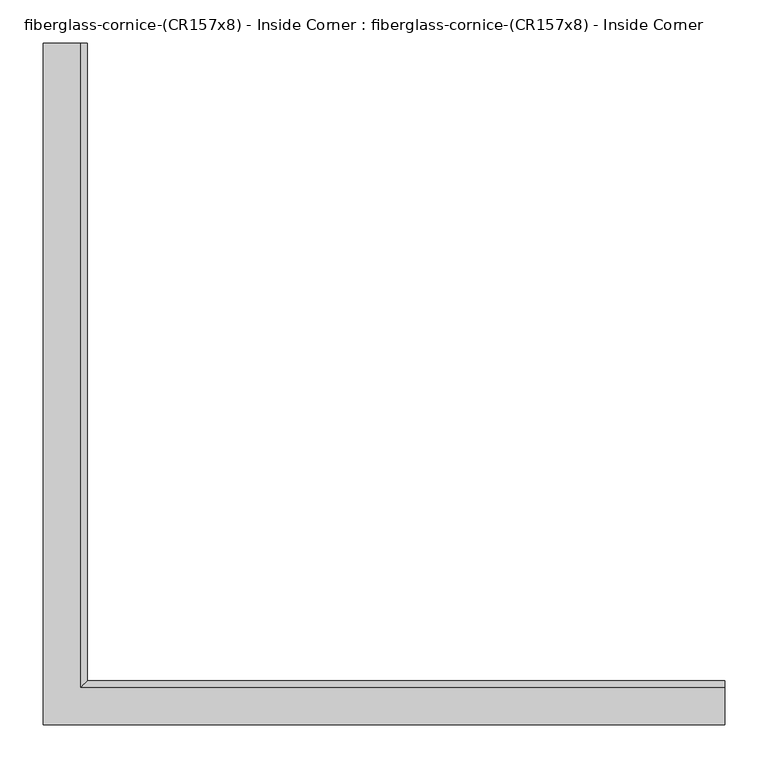
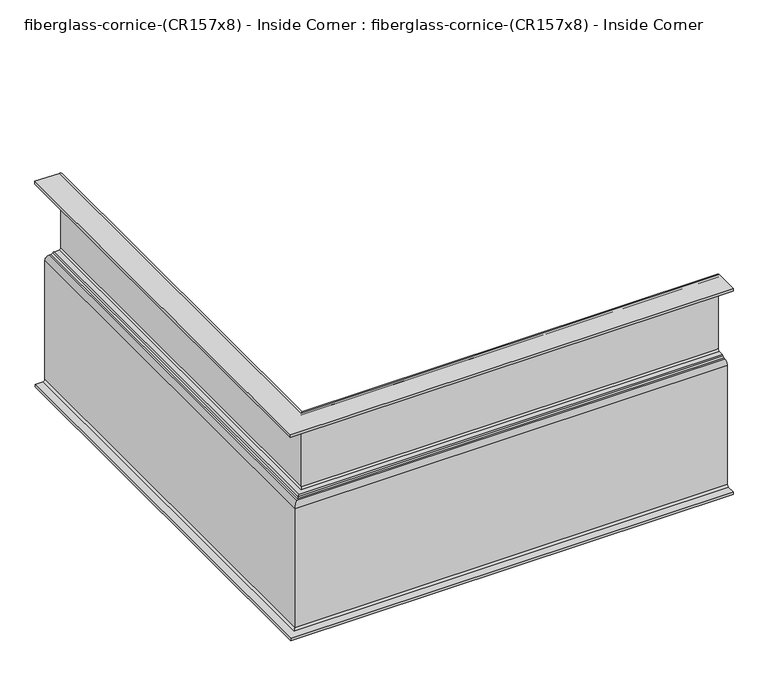
"""IFC4 building model written with IfcOpenShell, lengths in millimetres: furniture geometry, fiberglass-cornice-(CR157x8) - Inside Corner : fiberglass-cornice-(CR157x8) - Inside Corner."""

from ifc_helpers import new_model, si_unit, frame, origin, place, context, project, spatial, polyline, circle_curve, ellipse_curve, source, transform, mapped, element, save
from ifc_brep_helpers import plane_surface, cylinder_surface, revolved_surface, advanced_brep


def fiberglass_cornice_cr157x8_inside_corner_fiberglass_cornice_a711a074(model_context):
    return source(origin(), model_context, "Body", "AdvancedBrep", [
        advanced_brep(
        [(-393.6999938, 888.603125, 330.1999904), (-350.8374884, 888.603125, 330.1999904), (-342.899384, 888.603125, 322.261886), (-342.899384, 888.603125, 185.6778375), (-350.836884, 888.603125, 177.7403375), (-354.011884, 888.603125, 177.7403375), (-354.011884, 888.603125, 180.8652557), (-357.1874884, 888.603125, 180.8652557), (-357.1874884, 888.603125, 177.7402256), (-368.2999934, 888.603125, 177.7402256), (-371.4749934, 888.603125, 174.5652256), (-371.4749934, 888.603125, -49.2125121), (-379.4124934, 888.603125, -57.1500121), (-393.4457379, 888.603125, -57.1500121), (-393.4457379, 888.603125, -52.3875121), (-379.4124934, 888.603125, -52.3875121), (-376.2374934, 888.603125, -49.2125121), (-376.2374934, 888.603125, 174.5652256), (-368.2999934, 888.603125, 182.5027256), (-365.1249884, 888.603125, 182.5027256), (-362.3899349, 888.603125, 184.0652406), (-359.6548815, 888.603125, 185.6277557), (-350.8374884, 888.603125, 185.6277557), (-347.6624884, 888.603125, 188.8027557), (-347.6624884, 888.603125, 322.261886), (-350.8374884, 888.603125, 325.436886), (-393.6999938, 888.603125, 325.436886), (393.6999938, 101.203125, 330.1999904), (393.6999938, 101.203125, 325.436886), (393.6999938, 144.0656305, 325.436886), (393.6999938, 147.2406305, 322.261886), (393.6999938, 147.2406305, 188.8027557), (393.6999938, 144.0656305, 185.6277557), (393.6999938, 135.2482373, 185.6277557), (393.6999938, 132.5131839, 184.0652406), (393.6999938, 129.7781305, 182.5027256), (393.6999938, 126.6031254, 182.5027256), (393.6999938, 118.6656254, 174.5652256), (393.6999938, 118.6656254, -49.2125121), (393.6999938, 115.4906254, -52.3875121), (393.6999938, 101.457381, -52.3875121), (393.6999938, 101.457381, -57.1500121), (393.6999938, 115.4906254, -57.1500121), (393.6999938, 123.4281254, -49.2125121), (393.6999938, 123.4281254, 174.5652256), (393.6999938, 126.6031254, 177.7402256), (393.6999938, 137.7156305, 177.7402256), (393.6999938, 137.7156305, 180.8652557), (393.6999938, 140.8912349, 180.8652557), (393.6999938, 140.8912349, 177.7403375), (393.6999938, 144.0662349, 177.7403375), (393.6999938, 152.0037349, 185.6778375), (393.6999938, 152.0037349, 322.261886), (393.6999938, 144.0656305, 330.1999904), (-393.6999938, 101.203125, 330.1999904), (-350.8374884, 144.0656305, 330.1999904), (-342.899384, 152.0037349, 322.261886), (-342.899384, 152.0037349, 185.6778375), (-350.836884, 144.0662349, 177.7403375), (-354.011884, 140.8912349, 177.7403375), (-354.011884, 140.8912349, 180.8652557), (-357.1874884, 137.7156305, 180.8652557), (-357.1874884, 137.7156305, 177.7402256), (-368.2999934, 126.6031254, 177.7402256), (-371.4749934, 123.4281254, 174.5652256), (-371.4749934, 123.4281254, -49.2125121), (-379.4124934, 115.4906254, -57.1500121), (-393.4457379, 101.457381, -57.1500121), (-393.4457379, 101.457381, -52.3875121), (-379.4124934, 115.4906254, -52.3875121), (-376.2374934, 118.6656254, -49.2125121), (-376.2374934, 118.6656254, 174.5652256), (-368.2999934, 126.6031254, 182.5027256), (-365.1249884, 129.7781305, 182.5027256), (-362.3899349, 132.5131839, 184.0652406), (-359.6548815, 135.2482373, 185.6277557), (-350.8374884, 144.0656305, 185.6277557), (-347.6624884, 147.2406305, 188.8027557), (-347.6624884, 147.2406305, 322.261886), (-350.8374884, 144.0656305, 325.436886), (-393.6999938, 101.203125, 325.436886)],
        [
            (0, 1),
            (1, 2, circle_curve(frame((-350.8374884, 888.603125, 322.261886), z_axis=(0.0, 1.0, 0.0), x_axis=(1.0, 0.0, 0.0)), 7.9381044)),
            (2, 3),
            (3, 4, circle_curve(frame((-350.836884, 888.603125, 185.6778375), z_axis=(0.0, 1.0, 0.0), x_axis=(1.0, 0.0, 0.0)), 7.9375)),
            (4, 5),
            (5, 6),
            (6, 7),
            (7, 8),
            (8, 9),
            (9, 10, circle_curve(frame((-368.2999934, 888.603125, 174.5652256), z_axis=(0.0, -1.0, 0.0), x_axis=(1.0, 0.0, 0.0)), 3.175)),
            (10, 11),
            (11, 12, circle_curve(frame((-379.4124934, 888.603125, -49.2125121), z_axis=(0.0, 1.0, 0.0), x_axis=(1.0, 0.0, 0.0)), 7.9375)),
            (12, 13),
            (13, 14),
            (14, 15),
            (15, 16, circle_curve(frame((-379.4124934, 888.603125, -49.2125121), z_axis=(0.0, -1.0, 0.0), x_axis=(1.0, 0.0, 0.0)), 3.175)),
            (16, 17),
            (17, 18, circle_curve(frame((-368.2999934, 888.603125, 174.5652256), z_axis=(0.0, 1.0, 0.0), x_axis=(1.0, 0.0, 0.0)), 7.9375)),
            (18, 19),
            (19, 20, circle_curve(frame((-365.1249884, 888.603125, 185.6777256), z_axis=(0.0, -1.0, 0.0), x_axis=(1.0, 0.0, 0.0)), 3.175)),
            (20, 21, circle_curve(frame((-359.6548815, 888.603125, 182.4527557), z_axis=(0.0, 1.0, 0.0), x_axis=(1.0, 0.0, 0.0)), 3.175)),
            (21, 22),
            (22, 23, circle_curve(frame((-350.8374884, 888.603125, 188.8027557), z_axis=(0.0, -1.0, 0.0), x_axis=(1.0, 0.0, 0.0)), 3.175)),
            (23, 24),
            (24, 25, circle_curve(frame((-350.8374884, 888.603125, 322.261886), z_axis=(0.0, -1.0, 0.0), x_axis=(1.0, 0.0, 0.0)), 3.175)),
            (25, 26),
            (26, 0),
            (27, 28),
            (28, 29),
            (29, 30, circle_curve(frame((393.6999938, 144.0656305, 322.261886), z_axis=(-1.0, 0.0, 0.0), x_axis=(0.0, 1.0, 0.0)), 3.175)),
            (30, 31),
            (31, 32, circle_curve(frame((393.6999938, 144.0656305, 188.8027557), z_axis=(-1.0, 0.0, 0.0), x_axis=(0.0, 1.0, 0.0)), 3.175)),
            (32, 33),
            (33, 34, circle_curve(frame((393.6999938, 135.2482373, 182.4527557), z_axis=(1.0, 0.0, 0.0), x_axis=(0.0, 1.0, 0.0)), 3.175)),
            (34, 35, circle_curve(frame((393.6999938, 129.7781305, 185.6777256), z_axis=(-1.0, 0.0, 0.0), x_axis=(0.0, 1.0, 0.0)), 3.175)),
            (35, 36),
            (36, 37, circle_curve(frame((393.6999938, 126.6031254, 174.5652256), z_axis=(1.0, 0.0, 0.0), x_axis=(0.0, 1.0, 0.0)), 7.9375)),
            (37, 38),
            (38, 39, circle_curve(frame((393.6999938, 115.4906254, -49.2125121), z_axis=(-1.0, 0.0, 0.0), x_axis=(0.0, 1.0, 0.0)), 3.175)),
            (39, 40),
            (40, 41),
            (41, 42),
            (42, 43, circle_curve(frame((393.6999938, 115.4906254, -49.2125121), z_axis=(1.0, 0.0, 0.0), x_axis=(0.0, 1.0, 0.0)), 7.9375)),
            (43, 44),
            (44, 45, circle_curve(frame((393.6999938, 126.6031254, 174.5652256), z_axis=(-1.0, 0.0, 0.0), x_axis=(0.0, 1.0, 0.0)), 3.175)),
            (45, 46),
            (46, 47),
            (47, 48),
            (48, 49),
            (49, 50),
            (50, 51, circle_curve(frame((393.6999938, 144.0662349, 185.6778375), z_axis=(1.0, 0.0, 0.0), x_axis=(0.0, 1.0, 0.0)), 7.9375)),
            (51, 52),
            (52, 53, circle_curve(frame((393.6999938, 144.0656305, 322.261886), z_axis=(1.0, 0.0, 0.0), x_axis=(0.0, 1.0, 0.0)), 7.9381044)),
            (53, 27),
            (0, 54),
            (54, 27),
            (53, 55),
            (55, 1),
            (55, 56, ellipse_curve(frame((-350.8374884, 144.0656305, 322.261886), z_axis=(-0.7071067811865475, 0.7071067811865475, 0.0), x_axis=(0.7071067811865474, 0.7071067811865476, 0.0)), 11.2261749, 7.9381044)),
            (56, 2),
            (56, 57),
            (57, 3),
            (57, 58, ellipse_curve(frame((-350.836884, 144.0662349, 185.6778375), z_axis=(-0.7071067811865475, 0.7071067811865475, 0.0), x_axis=(0.7071067811865474, 0.7071067811865476, 0.0)), 11.2253202, 7.9375)),
            (58, 4),
            (58, 50),
            (49, 59),
            (59, 5),
            (59, 60),
            (60, 6),
            (60, 48),
            (47, 61),
            (61, 7),
            (61, 62),
            (62, 8),
            (62, 46),
            (45, 63),
            (63, 9),
            (63, 64, ellipse_curve(frame((-368.2999934, 126.6031254, 174.5652256), z_axis=(0.7071067811865475, -0.7071067811865475, 0.0), x_axis=(-0.7071067811865474, -0.7071067811865476, 0.0)), 4.4901281, 3.175)),
            (64, 10),
            (64, 65),
            (65, 11),
            (65, 66, ellipse_curve(frame((-379.4124934, 115.4906254, -49.2125121), z_axis=(-0.7071067811865475, 0.7071067811865475, 0.0), x_axis=(0.7071067811865474, 0.7071067811865476, 0.0)), 11.2253202, 7.9375)),
            (66, 12),
            (66, 42),
            (41, 67),
            (67, 13),
            (67, 68),
            (68, 14),
            (68, 40),
            (39, 69),
            (69, 15),
            (69, 70, ellipse_curve(frame((-379.4124934, 115.4906254, -49.2125121), z_axis=(0.7071067811865475, -0.7071067811865475, 0.0), x_axis=(-0.7071067811865474, -0.7071067811865476, 0.0)), 4.4901281, 3.175)),
            (70, 16),
            (70, 71),
            (71, 17),
            (71, 72, ellipse_curve(frame((-368.2999934, 126.6031254, 174.5652256), z_axis=(-0.7071067811865475, 0.7071067811865475, 0.0), x_axis=(0.7071067811865474, 0.7071067811865476, 0.0)), 11.2253202, 7.9375)),
            (72, 18),
            (72, 36),
            (35, 73),
            (73, 19),
            (73, 74, ellipse_curve(frame((-365.1249884, 129.7781305, 185.6777256), z_axis=(0.7071067811865475, -0.7071067811865475, 0.0), x_axis=(-0.7071067811865474, -0.7071067811865476, 0.0)), 4.4901281, 3.175)),
            (74, 20),
            (74, 75, ellipse_curve(frame((-359.6548815, 135.2482373, 182.4527557), z_axis=(-0.7071067811865475, 0.7071067811865475, 0.0), x_axis=(0.7071067811865474, 0.7071067811865476, 0.0)), 4.4901281, 3.175)),
            (75, 21),
            (75, 33),
            (32, 76),
            (76, 22),
            (76, 77, ellipse_curve(frame((-350.8374884, 144.0656305, 188.8027557), z_axis=(0.7071067811865475, -0.7071067811865475, 0.0), x_axis=(-0.7071067811865474, -0.7071067811865476, 0.0)), 4.4901281, 3.175)),
            (77, 23),
            (77, 78),
            (78, 24),
            (78, 79, ellipse_curve(frame((-350.8374884, 144.0656305, 322.261886), z_axis=(0.7071067811865475, -0.7071067811865475, 0.0), x_axis=(-0.7071067811865474, -0.7071067811865476, 0.0)), 4.4901281, 3.175)),
            (79, 25),
            (79, 29),
            (28, 80),
            (80, 26),
            (80, 54),
            (52, 56),
            (51, 57),
            (44, 64),
            (43, 65),
            (38, 70),
            (37, 71),
            (34, 74),
            (31, 77),
            (30, 78),
        ],
        [
            plane_surface(frame((-393.6999938, 888.603125, 330.1999904), z_axis=(0.0, 1.0, 0.0), x_axis=(0.0, 0.0, 1.0))),
            plane_surface(frame((393.6999938, 101.203125, 330.1999904), z_axis=(1.0, 0.0, 0.0), x_axis=(0.0, 0.0, 1.0))),
            plane_surface(frame((-393.6999938, 888.603125, 330.1999904), z_axis=(0.0, 0.0, 1.0), x_axis=(0.0, -1.0, 0.0))),
            cylinder_surface(frame((-350.8374884, 888.603125, 322.261886), z_axis=(0.0, 1.0, 0.0), x_axis=(1.0, 0.0, 0.0)), 7.9381044),
            plane_surface(frame((-342.899384, 888.603125, 322.261886), z_axis=(1.0, 0.0, 0.0), x_axis=(0.0, -1.0, 0.0))),
            cylinder_surface(frame((-350.836884, 888.603125, 185.6778375), z_axis=(0.0, 1.0, 0.0), x_axis=(1.0, 0.0, 0.0)), 7.9375),
            plane_surface(frame((-350.836884, 888.603125, 177.7403375), z_axis=(0.0, 0.0, -1.0), x_axis=(0.0, -1.0, 0.0))),
            plane_surface(frame((-354.011884, 888.603125, 177.7403375), z_axis=(-1.0, 0.0, 0.0), x_axis=(0.0, -1.0, 0.0))),
            plane_surface(frame((-354.011884, 888.603125, 180.8652557), z_axis=(0.0, 0.0, -1.0), x_axis=(0.0, -1.0, 0.0))),
            plane_surface(frame((-357.1874884, 888.603125, 180.8652557), z_axis=(1.0, 0.0, 0.0), x_axis=(0.0, -1.0, 0.0))),
            plane_surface(frame((-357.1874884, 888.603125, 177.7402256), z_axis=(0.0, 0.0, -1.0), x_axis=(0.0, -1.0, 0.0))),
            revolved_surface(polyline([(-365.1249934, 123.42812537209363, 174.5652256), (-365.1249934, 888.603125, 174.5652256)]), (-368.2999934, 888.603125, 174.5652256), (0.0, -1.0, 0.0)),
            plane_surface(frame((-371.4749934, 888.603125, 174.5652256), z_axis=(1.0, 0.0, 0.0), x_axis=(0.0, -1.0, 0.0))),
            cylinder_surface(frame((-379.4124934, 888.603125, -49.2125121), z_axis=(0.0, 1.0, 0.0), x_axis=(1.0, 0.0, 0.0)), 7.9375),
            plane_surface(frame((-379.4124934, 888.603125, -57.1500121), z_axis=(0.0, 0.0, -1.0), x_axis=(0.0, -1.0, 0.0))),
            plane_surface(frame((-393.4457379, 888.603125, -57.1500121), z_axis=(-1.0, 0.0, 0.0), x_axis=(0.0, -1.0, 0.0))),
            plane_surface(frame((-393.4457379, 888.603125, -52.3875121), z_axis=(0.0, 0.0, 1.0), x_axis=(0.0, -1.0, 0.0))),
            revolved_surface(polyline([(-376.2374934, 112.31562537209368, -49.2125121), (-376.2374934, 888.603125, -49.2125121)]), (-379.4124934, 888.603125, -49.2125121), (0.0, -1.0, 0.0)),
            plane_surface(frame((-376.2374934, 888.603125, -49.2125121), z_axis=(-1.0, 0.0, 0.0), x_axis=(0.0, -1.0, 0.0))),
            cylinder_surface(frame((-368.2999934, 888.603125, 174.5652256), z_axis=(0.0, 1.0, 0.0), x_axis=(1.0, 0.0, 0.0)), 7.9375),
            plane_surface(frame((-368.2999934, 888.603125, 182.5027256), z_axis=(0.0, 0.0, 1.0), x_axis=(0.0, -1.0, 0.0))),
            revolved_surface(polyline([(-361.9499884, 126.60313047209365, 185.6777256), (-361.9499884, 888.603125, 185.6777256)]), (-365.1249884, 888.603125, 185.6777256), (0.0, -1.0, 0.0)),
            cylinder_surface(frame((-359.6548815, 888.603125, 182.4527557), z_axis=(0.0, 1.0, 0.0), x_axis=(1.0, 0.0, 0.0)), 3.175),
            plane_surface(frame((-359.6548815, 888.603125, 185.6277557), z_axis=(0.0, 0.0, 1.0), x_axis=(0.0, -1.0, 0.0))),
            revolved_surface(polyline([(-347.6624884, 140.89063047209368, 188.8027557), (-347.6624884, 888.603125, 188.8027557)]), (-350.8374884, 888.603125, 188.8027557), (0.0, -1.0, 0.0)),
            plane_surface(frame((-347.6624884, 888.603125, 188.8027557), z_axis=(-1.0, 0.0, 0.0), x_axis=(0.0, -1.0, 0.0))),
            revolved_surface(polyline([(-347.6624884, 140.89063047209368, 322.261886), (-347.6624884, 888.603125, 322.261886)]), (-350.8374884, 888.603125, 322.261886), (0.0, -1.0, 0.0)),
            plane_surface(frame((-350.8374884, 888.603125, 325.436886), z_axis=(0.0, 0.0, -1.0), x_axis=(0.0, -1.0, 0.0))),
            plane_surface(frame((-393.6999938, 888.603125, 325.436886), z_axis=(-1.0, 0.0, 0.0), x_axis=(0.0, -1.0, 0.0))),
            cylinder_surface(frame((-393.6999938, 144.0656305, 322.261886), z_axis=(-1.0, 0.0, 0.0), x_axis=(0.0, 1.0, 0.0)), 7.9381044),
            plane_surface(frame((-342.899384, 152.0037349, 322.261886), z_axis=(0.0, 1.0, 0.0), x_axis=(1.0, 0.0, 0.0))),
            cylinder_surface(frame((-393.6999938, 144.0662349, 185.6778375), z_axis=(-1.0, 0.0, 0.0), x_axis=(0.0, 1.0, 0.0)), 7.9375),
            plane_surface(frame((-354.011884, 140.8912349, 177.7403375), z_axis=(0.0, -1.0, 0.0), x_axis=(1.0, 0.0, 0.0))),
            plane_surface(frame((-357.1874884, 137.7156305, 180.8652557), z_axis=(0.0, 1.0, 0.0), x_axis=(1.0, 0.0, 0.0))),
            revolved_surface(polyline([(393.6999938, 129.7781254, 174.5652256), (-371.47499342790627, 129.7781254, 174.5652256)]), (-393.6999938, 126.6031254, 174.5652256), (1.0, 0.0, 0.0)),
            plane_surface(frame((-371.4749934, 123.4281254, 174.5652256), z_axis=(0.0, 1.0, 0.0), x_axis=(1.0, 0.0, 0.0))),
            cylinder_surface(frame((-393.6999938, 115.4906254, -49.2125121), z_axis=(-1.0, 0.0, 0.0), x_axis=(0.0, 1.0, 0.0)), 7.9375),
            plane_surface(frame((-393.4457379, 101.457381, -57.1500121), z_axis=(0.0, -1.0, 0.0), x_axis=(1.0, 0.0, 0.0))),
            revolved_surface(polyline([(393.6999938, 118.6656254, -49.2125121), (-382.5874934279063, 118.6656254, -49.2125121)]), (-393.6999938, 115.4906254, -49.2125121), (1.0, 0.0, 0.0)),
            plane_surface(frame((-376.2374934, 118.6656254, -49.2125121), z_axis=(0.0, -1.0, 0.0), x_axis=(1.0, 0.0, 0.0))),
            cylinder_surface(frame((-393.6999938, 126.6031254, 174.5652256), z_axis=(-1.0, 0.0, 0.0), x_axis=(0.0, 1.0, 0.0)), 7.9375),
            revolved_surface(polyline([(393.6999938, 132.95313050000001, 185.6777256), (-368.29998842790627, 132.95313050000001, 185.6777256)]), (-393.6999938, 129.7781305, 185.6777256), (1.0, 0.0, 0.0)),
            cylinder_surface(frame((-393.6999938, 135.2482373, 182.4527557), z_axis=(-1.0, 0.0, 0.0), x_axis=(0.0, 1.0, 0.0)), 3.175),
            revolved_surface(polyline([(393.6999938, 147.2406305, 188.8027557), (-354.01248842790625, 147.2406305, 188.8027557)]), (-393.6999938, 144.0656305, 188.8027557), (1.0, 0.0, 0.0)),
            plane_surface(frame((-347.6624884, 147.2406305, 188.8027557), z_axis=(0.0, -1.0, 0.0), x_axis=(1.0, 0.0, 0.0))),
            revolved_surface(polyline([(393.6999938, 147.2406305, 322.261886), (-354.01248842790625, 147.2406305, 322.261886)]), (-393.6999938, 144.0656305, 322.261886), (1.0, 0.0, 0.0)),
            plane_surface(frame((-393.6999938, 101.203125, 325.436886), z_axis=(0.0, -1.0, 0.0), x_axis=(1.0, 0.0, 0.0))),
        ],
        [
            (0, [[1, 2, 3, 4, 5, 6, 7, 8, 9, 10, 11, 12, 13, 14, 15, 16, 17, 18, 19, 20, 21, 22, 23, 24, 25, 26, 27]]),
            (1, [[28, 29, 30, 31, 32, 33, 34, 35, 36, 37, 38, 39, 40, 41, 42, 43, 44, 45, 46, 47, 48, 49, 50, 51, 52, 53, 54]]),
            (2, [[-1, 55, 56, -54, 57, 58]]),
            (3, [[-2, -58, 59, 60]]),
            (4, [[-3, -60, 61, 62]]),
            (5, [[-4, -62, 63, 64]]),
            (6, [[-5, -64, 65, -50, 66, 67]]),
            (7, [[-6, -67, 68, 69]]),
            (8, [[-7, -69, 70, -48, 71, 72]]),
            (9, [[-8, -72, 73, 74]]),
            (10, [[-9, -74, 75, -46, 76, 77]]),
            (11, [[-10, -77, 78, 79]]),
            (12, [[-11, -79, 80, 81]]),
            (13, [[-12, -81, 82, 83]]),
            (14, [[-13, -83, 84, -42, 85, 86]]),
            (15, [[-14, -86, 87, 88]]),
            (16, [[-15, -88, 89, -40, 90, 91]]),
            (17, [[-16, -91, 92, 93]]),
            (18, [[-17, -93, 94, 95]]),
            (19, [[-18, -95, 96, 97]]),
            (20, [[-19, -97, 98, -36, 99, 100]]),
            (21, [[-20, -100, 101, 102]]),
            (22, [[-21, -102, 103, 104]]),
            (23, [[-22, -104, 105, -33, 106, 107]]),
            (24, [[-23, -107, 108, 109]]),
            (25, [[-24, -109, 110, 111]]),
            (26, [[-25, -111, 112, 113]]),
            (27, [[-26, -113, 114, -29, 115, 116]]),
            (28, [[-27, -116, 117, -55]]),
            (29, [[-59, -57, -53, 118]]),
            (30, [[-61, -118, -52, 119]]),
            (31, [[-63, -119, -51, -65]]),
            (32, [[-68, -66, -49, -70]]),
            (33, [[-73, -71, -47, -75]]),
            (34, [[-78, -76, -45, 120]]),
            (35, [[-80, -120, -44, 121]]),
            (36, [[-82, -121, -43, -84]]),
            (37, [[-87, -85, -41, -89]]),
            (38, [[-92, -90, -39, 122]]),
            (39, [[-94, -122, -38, 123]]),
            (40, [[-96, -123, -37, -98]]),
            (41, [[-101, -99, -35, 124]]),
            (42, [[-103, -124, -34, -105]]),
            (43, [[-108, -106, -32, 125]]),
            (44, [[-110, -125, -31, 126]]),
            (45, [[-112, -126, -30, -114]]),
            (46, [[-117, -115, -28, -56]]),
        ],
    ),
    ])


if __name__ == "__main__":
    model = new_model("IFC4")
    model_context = context("Model", 3, world=origin())
    ifc_project = project(units=[si_unit("LENGTHUNIT", "METRE", prefix="MILLI")], contexts=[model_context])
    site = spatial("IfcSite", under=ifc_project)
    building = spatial("IfcBuilding", under=site)
    placement = place(None, origin())
    fiberglass_cornice_cr157x8_inside_corner_fiberglass_cornice_shape = fiberglass_cornice_cr157x8_inside_corner_fiberglass_cornice_a711a074(model_context)
    element("IfcFurniture", 1, ObjectType="fiberglass-cornice-(CR157x8) - Inside Corner : fiberglass-cornice-(CR157x8) - Inside Corner", at=placement, inside=building, context=model_context, shape_type="MappedRepresentation", body=[
        mapped(fiberglass_cornice_cr157x8_inside_corner_fiberglass_cornice_shape, transform((0.0, 0.0, 0.0), x_axis=(1.0, 0.0, 0.0), y_axis=(0.0, 1.0, 0.0), z_axis=(0.0, 0.0, 1.0))),
    ])
    save(model, "model.ifc")
